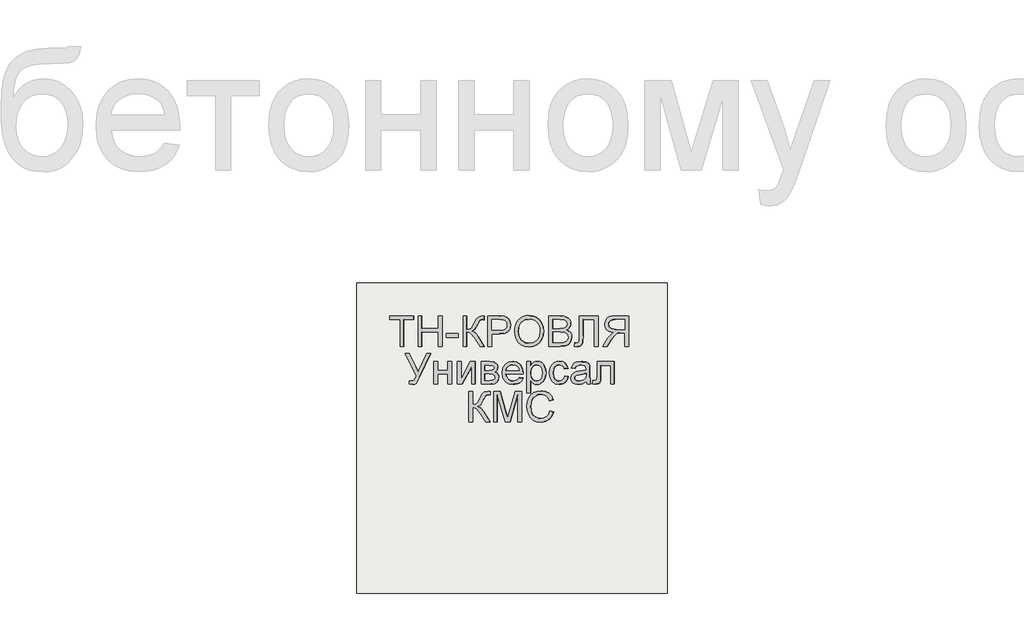
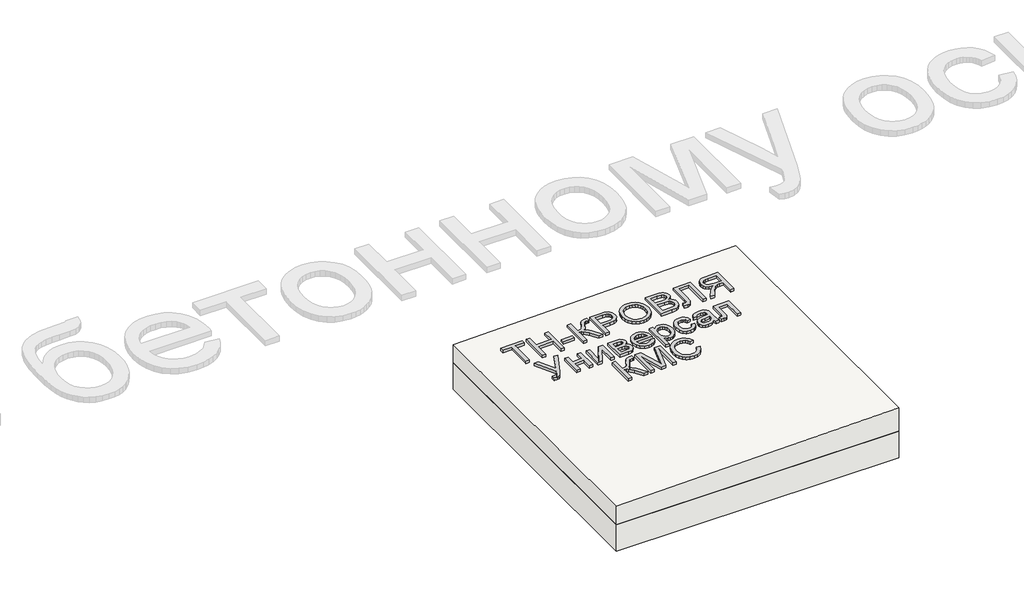
# One storey, part 1 of 2: 1 proxy, 1 roof, 1 slab.
"""IFC4 building model written with IfcOpenShell, lengths in millimetres."""

from ifc_helpers import new_model, si_unit, frame, origin, place, context, project, spatial, polyline, outline, extrude, element, save

model = new_model("IFC4")

# Units and contexts
model_context = context("Model", 3, world=origin())
ifc_project = project(units=[si_unit("LENGTHUNIT", "METRE", prefix="MILLI")], contexts=[model_context])

# Site, building, storey
site = spatial("IfcSite", under=ifc_project)
building = spatial("IfcBuilding", under=site)
storey = spatial("IfcBuildingStorey", under=building, Elevation=0.0)

# Proxy
placement = place(None, origin())
element("IfcBuildingElementProxy", 1, Name="Generic Models", at=placement, inside=storey, context=model_context, shape_type="SweptSolid", body=[
    extrude(outline(polyline([(24.6153846, 0.0), (24.6153846, -172.3076923), (89.2307692, -172.3076923), (89.2307692, -196.9230769), (-64.6153846, -196.9230769), (-64.6153846, -172.3076923), (0.0, -172.3076923), (0.0, 0.0), (24.6153846, 0.0)])), frame((10009.621708, -4710.2316754, 141.0645223), z_axis=(-0.019996001199563986, 0.0, 0.9998000599800078), x_axis=(-0.9998000599800078, 0.0, -0.019996001199563986)), (0.0, 0.0, 1.0), 20.0),
    extrude(outline(polyline([(24.6153846, 0.0), (24.6153846, -196.9230769), (0.0, -196.9230769), (0.0, -116.9230769), (-104.6153846, -116.9230769), (-104.6153846, -196.9230769), (-129.2307693, -196.9230769), (-129.2307693, 0.0), (-104.6153846, 0.0), (-104.6153846, -92.3076923), (0.0, -92.3076923), (0.0, 0.0), (24.6153846, 0.0)])), frame((10126.5214073, -4710.2316754, 143.4025162), z_axis=(-0.019996001199563986, 0.0, 0.9998000599800078), x_axis=(-0.9998000599800078, 0.0, -0.019996001199563986)), (0.0, 0.0, 1.0), 20.0),
    extrude(outline(polyline([(76.923077, 0.0), (76.923077, -24.6153846), (0.0, -24.6153846), (0.0, 0.0), (76.923077, 0.0)])), frame((10360.320806, -4651.7701369, 148.0785042), z_axis=(-0.01999600119956399, 0.0, 0.9998000599800078), x_axis=(-0.9998000599800078, 0.0, -0.01999600119956399)), (0.0, 0.0, 1.0), 20.0),
    extrude(outline(polyline([(196.9230769, 0.0), (196.9230769, -24.6153846), (110.7692308, -24.6153846), (112.3978365, -41.2800481), (117.2836538, -52.1394232), (128.7800481, -60.9194711), (150.2403846, -71.3461539), (177.7644231, -84.9278847), (191.3942308, -100.3125), (196.9230769, -122.3076923), (196.6346154, -138.4615385), (172.0192308, -138.4615385), (172.1634615, -133.0288462), (172.3076923, -127.5961539), (170.8293269, -116.3221154), (166.3942308, -108.3653847), (141.0576923, -93.7500001), (110.1923077, -76.3221154), (100.0, -59.3269231), (88.8701923, -78.329327), (65.6730769, -97.0673077), (0.0, -138.4615385), (0.0, -109.9038462), (55.4807692, -74.9038462), (84.4471154, -50.2644231), (90.3425481, -38.8882212), (92.3076923, -24.6153846), (0.0, -24.6153846), (0.0, 0.0), (196.9230769, 0.0)])), frame((10391.0838847, -4710.2316754, 148.6937658), z_axis=(-0.019996001199563986, 0.0, 0.9998000599800078), x_axis=(0.0, 1.0, 0.0)), (0.0, 0.0, 1.0), 20.0),
    extrude(outline(polyline([(24.6153846, 0.0), (24.6153846, -196.9230769), (-48.3653847, -196.9230769), (-77.7884616, -195.0480769), (-101.7067308, -185.8413461), (-110.4026443, -177.6802885), (-117.2115385, -166.8028846), (-123.0769231, -139.9519231), (-119.1165866, -116.7427885), (-107.235577, -97.4038461), (-97.7208534, -89.7896635), (-85.0180289, -84.3509615), (-50.048077, -80.0), (0.0, -80.0), (0.0, 0.0), (24.6153846, 0.0)]), holes=[polyline([(0.0, -104.6153846), (-51.4903847, -104.6153846), (-73.3173078, -106.875), (-87.7403846, -113.6538461), (-95.78125, -124.53125), (-98.4615385, -139.0865385), (-96.8810097, -150.1442308), (-92.1394232, -159.4711538), (-84.8257212, -166.4903846), (-75.5288462, -170.625), (-50.9134615, -172.3076923), (0.0, -172.3076923), (0.0, -104.6153846)])]), frame((10575.6623573, -4710.2316754, 152.3853352), z_axis=(-0.019996001199563986, 0.0, 0.9998000599800078), x_axis=(-0.9998000599800078, 0.0, -0.019996001199563986)), (0.0, 0.0, 1.0), 20.0),
    extrude(outline(polyline([(25.3428445, 0.0), (48.1160484, -4.1938573), (67.8912361, -11.3545773), (84.6684074, -21.48216), (98.4475626, -34.5766053), (108.9049086, -49.9093782), (115.7166524, -66.7519434), (118.8827941, -85.1043011), (118.4033337, -104.9664512), (112.3116986, -130.2760814), (100.0658902, -152.2136344), (82.4868293, -169.6009171), (60.3954366, -181.2597367), (34.812491, -187.0380147), (6.7587717, -186.7836729), (-21.0136463, -180.6528553), (-44.9882084, -168.8870737), (-63.9421568, -152.1247694), (-76.6527338, -131.0043835), (-83.1347827, -107.1750808), (-83.4031474, -82.2860261), (-77.1659621, -56.5935493), (-64.600884, -34.5586152), (-46.7404789, -17.2511253), (-24.6173127, -5.740981), (0.0, 0.0), (25.3428445, 0.0)]), holes=[polyline([(22.3721769, -24.4366544), (-8.7890431, -25.9094148), (-33.7562618, -37.9787802), (-50.9832576, -58.3865327), (-58.9238091, -84.8744541), (-57.0179297, -112.8610054), (-44.5775814, -136.6179286), (-34.5460353, -146.3414541), (-22.1589798, -153.8699217), (9.6816594, -162.341683), (31.570013, -162.6815636), (50.9840871, -158.5364568), (67.4340475, -150.0149318), (80.43006, -137.2255581), (89.4380632, -121.0520254), (93.9239955, -102.3780231), (92.2935561, -75.5530127), (81.0850249, -51.6494365), (71.4163804, -41.5325654), (58.4080243, -33.6248114), (22.3721769, -24.4366544)])]), frame((10726.1370731, -4639.5525889, 155.3948296), z_axis=(-0.01999600119956399, 0.0, 0.9998000599800078), x_axis=(-0.11095588221402986, 0.9938228553011785, -0.002219117644276566)), (0.0, 0.0, 1.0), 20.0),
    extrude(outline(polyline([(74.5673077, 0.0), (74.5673077, -196.9230769), (-0.5769231, -196.9230769), (-21.2439903, -195.4747596), (-37.3798076, -191.1298077), (-49.7475961, -183.7800481), (-59.1105769, -173.3173077), (-65.0060096, -161.0096154), (-66.9711538, -148.125), (-65.3185096, -136.2680288), (-60.3605769, -125.1201923), (-52.061298, -115.3665865), (-40.3846154, -107.6923077), (-54.3329326, -100.4086538), (-64.639423, -89.3269231), (-71.0036058, -75.1802885), (-73.125, -58.7019231), (-67.3317307, -32.2355769), (-52.9807692, -13.3894231), (-31.5625, -3.3894231), (0.0, 0.0), (74.5673077, 0.0)]), holes=[polyline([(49.9519231, -116.9230769), (5.0, -116.9230769), (-21.2499999, -119.0384615), (-37.0432692, -128.1490385), (-42.3557692, -144.1826923), (-37.4038461, -160.2403846), (-23.2211538, -169.7355769), (8.4134616, -172.3076923), (49.9519231, -172.3076923), (49.9519231, -116.9230769)]), polyline([(49.9519231, -24.6153846), (-0.5288461, -24.6153846), (-18.7980769, -25.5769231), (-34.2548077, -30.9375), (-44.4951923, -41.875), (-48.5096153, -58.4615385), (-43.7980769, -77.5961538), (-37.6262019, -84.5132211), (-28.5336538, -89.0144231), (1.875, -92.3076923), (49.9519231, -92.3076923), (49.9519231, -24.6153846)])]), frame((11019.3717013, -4710.2316754, 161.2595221), z_axis=(-0.019996001199563986, 0.0, 0.9998000599800078), x_axis=(-0.9998000599800078, 0.0, -0.019996001199563986)), (0.0, 0.0, 1.0), 20.0),
    extrude(outline(polyline([(137.6442308, 0.0), (137.6442308, -120.0), (-59.2788461, -120.0), (-59.2788461, -95.3846154), (113.0288462, -95.3846154), (113.0288462, -24.6153846), (12.548077, -24.6153846), (-32.2836538, -21.7548077), (-44.951923, -17.3257211), (-54.4471153, -9.7596153), (-60.3786057, 0.6009616), (-62.3557692, 13.4134616), (-59.2788461, 33.8461539), (-34.6634615, 30.7692308), (-37.7403846, 18.9903846), (-36.0877403, 10.6670673), (-31.1298076, 4.7355769), (-20.0420673, 1.1838942), (0.0, 0.0), (137.6442308, 0.0)])), frame((11141.7030067, -4650.9528293, 163.7061482), z_axis=(-0.019996001199563986, 0.0, 0.9998000599800078), x_axis=(0.0, 1.0, 0.0)), (0.0, 0.0, 1.0), 20.0),
    extrude(outline(polyline([(24.6153846, -110.7692308), (0.0, -110.7692308), (0.0, -24.6153847), (-29.7115384, -24.6153847), (-43.9903846, -25.4807693), (-55.6971154, -30.1682693), (-68.7019231, -42.9326923), (-87.2115385, -69.9519231), (-112.8365384, -110.7692308), (-141.4423077, -110.7692308), (-108.6057692, -57.4038462), (-88.6538462, -32.0673077), (-74.6634615, -21.5384616), (-98.9122596, -15.0120193), (-115.8894231, -3.2211539), (-125.8954327, 12.8605769), (-129.2307692, 32.2596153), (-127.2175481, 47.8545673), (-121.1778846, 62.0432692), (-111.766827, 73.4855769), (-99.6394231, 80.8413461), (-83.046875, 84.8257211), (-60.2403847, 86.1538461), (24.6153846, 86.1538461), (24.6153846, -110.7692308)]), holes=[polyline([(0.0, 0.0), (0.0, 61.5384615), (-61.2980769, 61.5384615), (-80.7752404, 59.4110577), (-94.2067308, 53.0288461), (-102.0132211, 43.3533653), (-104.6153846, 31.3461538), (-99.1586539, 14.639423), (-83.1971154, 3.4855769), (-55.0961538, 0.0), (0.0, 0.0)])]), frame((11433.952255, -4599.4624446, 169.5511332), z_axis=(-0.01999600119956399, 0.0, 0.9998000599800078), x_axis=(0.9998000599800078, 0.0, 0.01999600119956399)), (0.0, 0.0, 1.0), 20.0),
    extrude(outline(polyline([(162.3958046, 0.0), (150.1049668, -24.3315009), (19.4444774, -24.3112472), (99.6626749, -124.1893539), (87.4802219, -148.3062913), (-15.7465271, -12.4058552), (-40.2207288, 22.7409556), (-41.8232157, 34.3633587), (-37.906375, 47.0489008), (-25.1668824, 65.44433), (-5.9419927, 55.7330507), (-14.6778087, 38.4392325), (-16.2671727, 23.1371615), (0.0, 0.0), (162.3958046, 0.0)])), frame((10090.5189917, -4901.3374446, 142.6824679), z_axis=(-0.01999600119956399, 0.0, 0.9998000599800078), x_axis=(-0.45079067255565264, 0.8925841610989058, -0.00901581345109673)), (0.0, 0.0, 1.0), 20.0),
    extrude(outline(polyline([(144.6153846, 0.0), (144.6153846, -24.6153847), (89.2307692, -24.6153847), (89.2307692, -89.2307693), (144.6153846, -89.2307693), (144.6153846, -113.8461539), (0.0, -113.8461539), (0.0, -89.2307693), (64.6153846, -89.2307693), (64.6153846, -24.6153847), (0.0, -24.6153847), (0.0, 0.0), (144.6153846, 0.0)])), frame((10203.4291042, -4953.3085985, 144.9406702), z_axis=(-0.019996001199563986, 0.0, 0.9998000599800078), x_axis=(0.0, 1.0, 0.0)), (0.0, 0.0, 1.0), 20.0),
    extrude(outline(polyline([(144.6153846, 0.0), (144.6153846, -24.6153846), (34.3269231, -24.6153846), (144.6153846, -85.0961538), (144.6153846, -116.9230769), (0.0, -116.9230769), (0.0, -92.3076923), (109.6153846, -92.3076923), (0.0, -32.2115385), (0.0, 0.0), (144.6153846, 0.0)])), frame((10354.1681902, -4953.3085985, 147.9554519), z_axis=(-0.019996001199563986, 0.0, 0.9998000599800078), x_axis=(0.0, 1.0, 0.0)), (0.0, 0.0, 1.0), 20.0),
    extrude(outline(polyline([(144.6153846, 0.0), (144.6153846, -54.2307692), (141.3221154, -83.9663461), (129.2548077, -100.6971154), (119.609375, -105.9435095), (108.2211539, -107.6923076), (91.1298077, -103.4615384), (78.9423077, -90.7211538), (73.828125, -99.8317308), (65.6009616, -107.2596153), (54.9098558, -112.1995192), (42.4038462, -113.8461538), (23.6418269, -109.6754807), (10.4326923, -99.7596153), (2.6081731, -84.0625), (0.0, -62.5480769), (0.0, 0.0), (144.6153846, 0.0)]), holes=[polyline([(89.2307692, -24.6153846), (89.2307692, -48.9423076), (90.4807692, -69.014423), (95.4807692, -78.7740384), (104.5192308, -83.076923), (111.8629808, -81.1899038), (116.5865385, -75.5288461), (120.0, -49.7115384), (120.0, -24.6153846), (89.2307692, -24.6153846)]), polyline([(24.6153846, -24.6153846), (24.6153846, -54.8076923), (25.7271635, -71.2620192), (29.0625, -81.5865384), (35.1262019, -87.1274038), (44.4230769, -89.2307692), (56.2740385, -85.0240384), (63.1730769, -74.0625), (64.6153846, -52.4038461), (64.6153846, -24.6153846), (24.6153846, -24.6153846)])]), frame((10507.9835841, -4953.3085985, 151.0317598), z_axis=(-0.019996001199563986, 0.0, 0.9998000599800078), x_axis=(0.0, 1.0, 0.0)), (0.0, 0.0, 1.0), 20.0),
    extrude(outline(polyline([(11.9224287, 1e-07), (23.3787354, -21.4639267), (3.5155617, -24.8948099), (-15.6006829, -21.4439824), (-33.3578567, -11.0602867), (-49.1438179, 6.3074343), (-61.8818963, 32.6831316), (-62.8170421, 59.2687891), (-51.916867, 84.377867), (-29.1489828, 106.323825), (-0.0288865, 121.1343702), (27.9674232, 123.4461986), (52.9457848, 114.2880645), (73.0120364, 94.6887224), (84.3959089, 69.9827894), (84.4955819, 43.8580616), (72.9280669, 18.474447), (49.3103756, -4.0081467), (43.8159314, -7.7297065), (-20.1983856, 82.4925626), (-32.7600612, 68.3554763), (-38.0799991, 52.4447665), (-36.6070543, 35.9746352), (-28.7900825, 20.1592847), (-10.6288614, 3.4526149), (0.0, 0.0), (11.9224287, 1e-07)]), holes=[polyline([(-0.1228525, 96.7365132), (49.7309746, 26.4721472), (58.4107366, 36.7128099), (62.2212823, 47.4187828), (60.9747524, 64.1306143), (52.8808629, 80.5231919), (41.4022308, 92.7236592), (27.8314967, 99.9175417), (13.5345169, 101.4675797), (-0.1228525, 96.7365132)])]), frame((10746.9021513, -4919.9552331, 155.8101311), z_axis=(-0.01999600119956399, 0.0, 0.9998000599800079), x_axis=(0.5785447954006114, 0.815568534264749, 0.011570895907991314)), (0.0, 0.0, 1.0), 20.0),
    extrude(outline(polyline([(24.6153846, 0.0), (24.6153846, -200.0), (0.0, -200.0), (0.0, -175.8653846), (-17.0192308, -196.2740385), (-27.5, -201.376202), (-40.0, -203.0769231), (-56.6466346, -200.6971154), (-71.2019231, -193.5576923), (-83.0528847, -182.0913462), (-91.5865385, -166.7307693), (-96.7427886, -148.59375), (-98.4615385, -128.798077), (-96.5204327, -107.7463943), (-90.6971154, -88.9182693), (-81.1778847, -73.2692308), (-68.1490385, -61.7548077), (-52.9747597, -54.6694712), (-37.0192308, -52.3076923), (-25.7031251, -53.8882212), (-15.6009616, -58.6298077), (0.0, -74.6153846), (0.0, 0.0), (24.6153846, 0.0)]), holes=[polyline([(0.0, -126.5384616), (-2.6622597, -104.4711539), (-10.6490385, -89.0384616), (-22.4338942, -79.9519231), (-36.4903847, -76.923077), (-50.7752404, -80.0600962), (-62.8605769, -89.4711539), (-71.0997597, -105.46875), (-73.8461539, -128.3653846), (-71.1658654, -150.3125), (-63.125, -165.9615385), (-51.3581732, -175.3365385), (-37.5, -178.4615385), (-23.5877404, -175.1382212), (-11.3701924, -165.1682693), (-2.8425481, -148.8641827), (0.0, -126.5384616)])]), frame((10827.9196032, -5008.6932139, 157.4304802), z_axis=(-0.019996001199563986, 0.0, 0.9998000599800078), x_axis=(-0.9998000599800078, 0.0, -0.019996001199563986)), (0.0, 0.0, 1.0), 20.0),
    extrude(outline(polyline([(14.2739448, 0.0), (18.5774163, -24.4308156), (-4.3658123, -24.3147239), (-23.9730045, -16.8581344), (-39.1287659, -2.9877766), (-48.7177025, 16.3696196), (-51.7999353, 42.8176798), (-43.9550055, 66.6568586), (-25.3354264, 86.2178676), (3.9062883, 99.8314183), (25.3948449, 104.4802096), (45.1992054, 104.6740484), (62.645194, 100.1110145), (77.0586345, 90.4891882), (88.0614871, 77.0566735), (95.2757119, 61.0615744), (98.5250521, 40.2990925), (94.8035117, 21.753999), (84.4149332, 6.0732076), (67.6631596, -6.0963687), (57.4783634, 16.5234133), (66.4279038, 23.9512854), (71.7390476, 32.8620535), (73.5020103, 42.8810605), (71.8070079, 53.6336491), (64.2193556, 67.9417386), (51.7849492, 77.3240769), (34.3582431, 80.5788393), (11.7936921, 76.5042012), (-9.4649736, 67.1472583), (-22.146962, 54.8097825), (-27.1652793, 40.2921826), (-25.4329315, 24.3948669), (-19.8783046, 12.7682798), (-11.3923719, 4.4463753), (0.0, 0.0), (14.2739448, 0.0)])), frame((11042.1375812, -4914.6427331, 161.7148397), z_axis=(-0.01999600119956399, 0.0, 0.9998000599800079), x_axis=(0.2942340972928861, 0.9557152643484548, 0.0058846819458470935)), (0.0, 0.0, 1.0), 20.0),
    extrude(outline(polyline([(19.4601702, -1e-07), (11.1819963, 27.9207832), (14.9143961, 54.4732734), (24.1902839, 73.0649574), (37.3011934, 84.6897486), (52.8826325, 89.3590492), (69.5701086, 87.0842617), (86.5521477, 76.4571844), (96.0465823, 60.2429097), (98.2586563, 41.3376584), (95.0355657, 19.9618777), (89.5623928, -23.2153749), (94.7162973, -25.0853757), (105.6740454, -26.9515756), (114.1004512, -24.4012291), (122.7587066, -15.3020791), (129.4557417, -0.8361792), (132.8384667, 24.2872046), (128.8153045, 32.9891694), (120.6530554, 40.8663574), (131.3561489, 63.2455532), (150.7935143, 45.5413592), (155.5977439, 34.3745663), (157.376525, 20.7448455), (151.8045309, -11.6304924), (138.2204199, -38.5478606), (122.4698447, -51.060142), (104.2335367, -52.9377443), (83.4202766, -47.2669291), (54.3668506, -37.5824538), (13.4016719, -25.2450099), (-7.7840681, -23.3522042), (0.0, 0.0), (19.4601702, -1e-07)]), holes=[polyline([(66.1645787, -15.5681362), (71.5617354, 24.4924486), (74.4731593, 45.8454244), (71.3488897, 56.9970141), (63.4279923, 63.1847402), (55.9042801, 63.7605636), (48.4755881, 60.4405521), (41.8184615, 53.1258846), (36.6094453, 41.7177398), (33.8253486, 28.7094523), (34.3213549, 16.2294779), (42.7667647, -3.5119526), (59.5967713, -13.2268344), (66.1645787, -15.5681362)])]), frame((11190.9239327, -4953.3085985, 164.6905668), z_axis=(-0.019996001199563993, 0.0, 0.9998000599800079), x_axis=(-0.3161645394309611, 0.9486832980505197, -0.006323290788607769)), (0.0, 0.0, 1.0), 20.0),
    extrude(outline(polyline([(92.2115384, 0.0), (92.2115384, -110.7692308), (-52.2596154, -110.7692308), (-52.2596154, -86.1538462), (67.5961538, -86.1538462), (67.5961538, -24.6153846), (-1.3942308, -24.6153846), (-33.2211539, -22.9567308), (-46.6586539, -13.8461539), (-50.9675481, -4.7355769), (-52.4038462, 7.6923077), (-51.1538462, 27.6923077), (-27.7884616, 27.6923077), (-27.7884616, 16.6826922), (-26.2740385, 5.5528845), (-21.4663462, 1.1057692), (0.0, 0.0), (92.2115384, 0.0)])), frame((11255.5263981, -4900.9047523, 165.9826161), z_axis=(-0.019996001199563986, 0.0, 0.9998000599800078), x_axis=(0.0, 1.0, 0.0)), (0.0, 0.0, 1.0), 20.0),
    extrude(outline(polyline([(196.923077, 0.0), (196.923077, -24.6153846), (110.7692308, -24.6153846), (112.3978366, -41.280048), (117.2836539, -52.1394231), (128.7800481, -60.9194711), (150.2403847, -71.3461538), (177.7644231, -84.9278846), (191.3942308, -100.3125), (196.923077, -122.3076923), (196.6346154, -138.4615384), (172.0192308, -138.4615384), (172.1634616, -133.0288461), (172.3076923, -127.5961538), (170.829327, -116.3221153), (166.3942308, -108.3653846), (141.0576923, -93.75), (110.1923077, -76.3221153), (100.0, -59.326923), (88.8701923, -78.3293269), (65.673077, -97.0673076), (0.0, -138.4615384), (0.0, -109.9038461), (55.4807693, -74.9038461), (84.4471154, -50.2644231), (90.3425481, -38.8882211), (92.3076923, -24.6153846), (0.0, -24.6153846), (0.0, 0.0), (196.923077, 0.0)])), frame((10427.9995793, -5196.3855216, 149.4320797), z_axis=(-0.019996001199563986, 0.0, 0.9998000599800078), x_axis=(0.0, 1.0, 0.0)), (0.0, 0.0, 1.0), 20.0),
    extrude(outline(polyline([(24.6153846, 0.0), (24.6153846, -196.923077), (-17.7403846, -196.923077), (-58.0288461, -58.125), (-66.1538461, -29.1346154), (-74.9519231, -60.5288462), (-114.5673077, -196.923077), (-156.9230769, -196.923077), (-156.9230769, 0.0), (-132.3076923, 0.0), (-132.3076923, -172.3076923), (-82.8365384, 0.0), (-49.4711538, 0.0), (0.0, -172.3076923), (0.0, 0.0), (24.6153846, 0.0)])), frame((10612.5780519, -5196.3855216, 153.1236491), z_axis=(-0.019996001199563986, 0.0, 0.9998000599800078), x_axis=(-0.9998000599800078, 0.0, -0.019996001199563986)), (0.0, 0.0, 1.0), 20.0),
    extrude(outline(polyline([(22.5354078, 0.0), (25.2963079, -25.2699082), (-5.5506296, -24.7796777), (-31.4525721, -15.5094536), (-51.7172013, 1.8643534), (-65.6521992, 26.665333), (-72.7161386, 54.5176714), (-71.6541095, 79.1565774), (-62.9869173, 101.0084671), (-47.2353669, 120.4997567), (-26.1873802, 136.7174455), (-1.6308788, 148.7485329), (26.2607091, 156.1677693), (52.546536, 156.7492123), (76.3287426, 150.6419577), (96.7094698, 137.995101), (113.000055, 120.0196259), (124.5118356, 97.9265161), (130.4614799, 71.3235406), (127.5854563, 46.3849145), (116.3008344, 24.0133526), (97.0246841, 5.1115704), (82.8399672, 26.0666106), (96.6174415, 40.3925606), (104.0173215, 55.6501239), (105.4046692, 72.1313636), (101.1445464, 90.1283425), (91.2118017, 108.9763123), (77.6877546, 122.4335433), (61.494754, 130.4051578), (43.5551486, 132.796278), (25.0378534, 130.8321412), (7.1117835, 125.7379848), (-13.505553, 115.9656324), (-29.93215, 103.8061216), (-41.390942, 89.3281159), (-47.1048632, 72.6002794), (-47.6221489, 54.9380281), (-43.4910346, 37.6567782), (-33.3749752, 19.5140242), (-18.7573791, 6.7332197), (0.0, 0.0), (22.5354078, 0.0)])), frame((10943.01077, -5147.4672523, 159.7323035), z_axis=(-0.019996001199563986, 0.0, 0.9998000599800079), x_axis=(0.3532728748260796, 0.9354936425345082, 0.007065457496508829)), (0.0, 0.0, 1.0), 20.0),
])

# Roof
element("IfcRoof", 2, at=placement, inside=storey, context=model_context, shape_type="SweptSolid", body=[
    extrude(outline(polyline([(135.0, 9706.3955952), (0.0, 9706.3955952), (0.0, 11706.3955952), (175.0, 11706.3955952), (135.0, 9706.3955952)])), frame((0.0, -6302.6148653, 0.0), z_axis=(0.0, 1.0, 0.0), x_axis=(0.0, 0.0, 1.0)), (0.0, 0.0, 1.0), 2000.0),
])

# Slab
element("IfcSlab", 3, at=placement, inside=storey, context=model_context, shape_type="SweptSolid", body=[
    extrude(outline(polyline([(11706.3955952, -6302.6148653), (9706.3955952, -6302.6148653), (9706.3955952, -4302.6148653), (11706.3955952, -4302.6148653), (11706.3955952, -6302.6148653)])), frame((0.0, 0.0, -200.0), z_axis=(0.0, 0.0, 1.0), x_axis=(1.0, 0.0, 0.0)), (0.0, 0.0, 1.0), 200.0),
])

save(model, "model.ifc")
